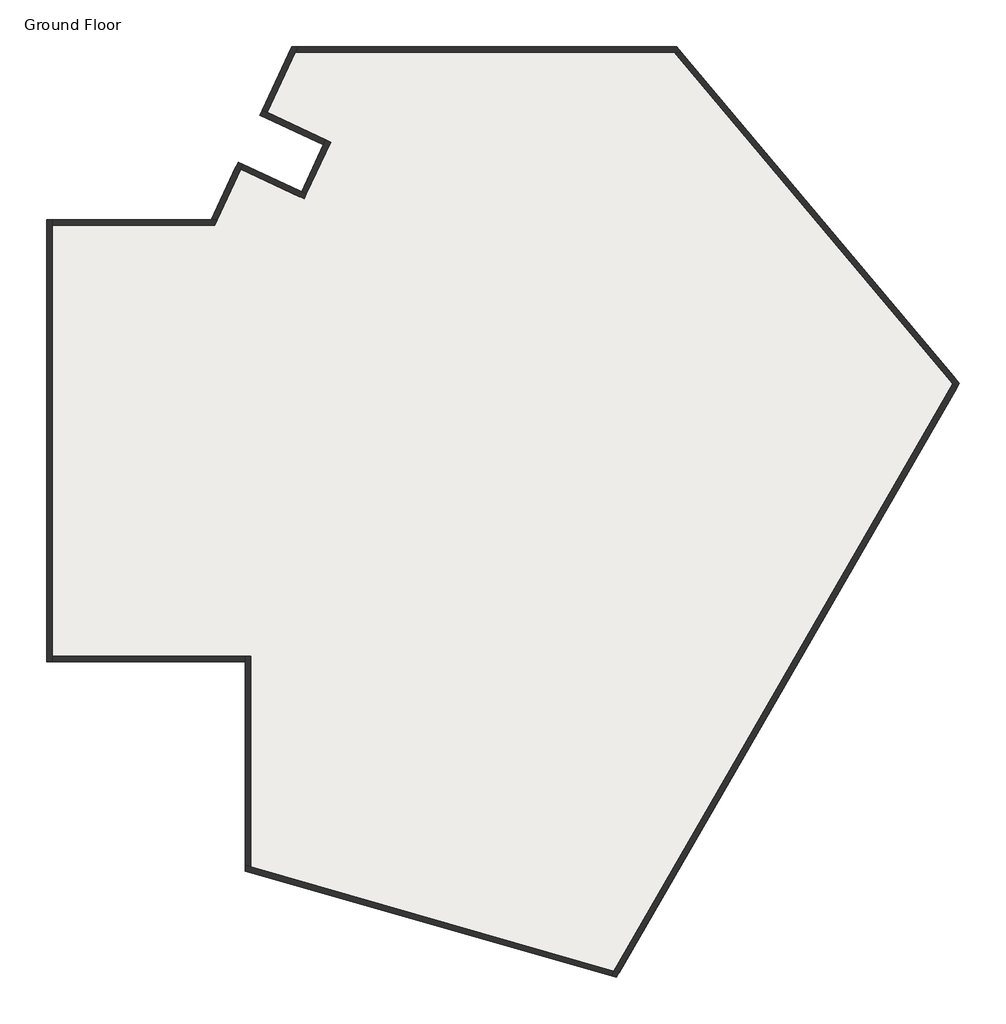
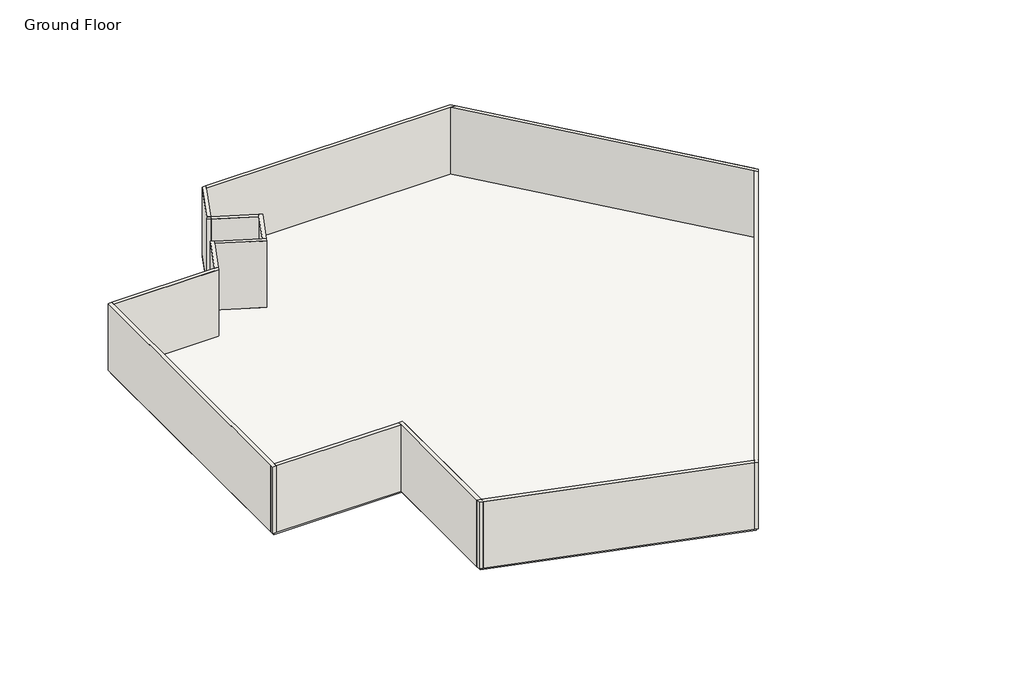
# One storey: 26 walls, 2 slabs.
"""IFC4 building model written with IfcOpenShell, lengths in millimetres."""

from ifc_helpers import new_model, si_unit, frame, origin, origin_with_axes, place, context, project, spatial, polyline, outline, extrude, faceted_brep, element, save

model = new_model("IFC4")

# Units and contexts
model_context = context("Model", 3, world=origin())
ifc_project = project(units=[si_unit("LENGTHUNIT", "METRE", prefix="MILLI")], contexts=[model_context])

# Site, building, storey
site = spatial("IfcSite", under=ifc_project)
building = spatial("IfcBuilding", under=site)
storey = spatial("IfcBuildingStorey", under=building, Name="Ground Floor", Elevation=0.0)

# Slabs
placement = place(None, origin())
element("IfcSlab", 1, ObjectType="Generic 150mm", at=placement, inside=storey, context=model_context, shape_type="SweptSolid", body=[
    extrude(outline(polyline([(-16614.6161583, 7322.1830783), (-10614.6161583, 7322.1830783), (-9645.9163017, 9399.5666246), (-7318.5272527, 8314.2872875), (-6431.028903, 10217.5336403), (-8758.4179521, 11302.8129774), (-7656.2883261, 13666.3375876), (6343.7116739, 13666.3375876), (16628.3134289, 1409.6264977), (4128.3134289, -20241.008597), (-9329.3503142, -16382.0856155), (-9329.3503142, -8677.8169217), (-16614.6161583, -8677.8169217), (-16614.6161583, 7322.1830783)])), frame((0.0, 0.0, -150.0), z_axis=(0.0, 0.0, 1.0), x_axis=(1.0, 0.0, 0.0)), (0.0, 0.0, 1.0), 150.0),
])
element("IfcSlab", 2, ObjectType="Generic 150mm", at=placement, inside=storey, context=model_context, shape_type="SweptSolid", body=[
    extrude(outline(polyline([(-16614.6161583, 7322.1830783), (-10614.6161583, 7322.1830783), (-9645.9163017, 9399.5666246), (-7318.5272527, 8314.2872875), (-6431.028903, 10217.5336403), (-8758.4179521, 11302.8129774), (-7656.2883261, 13666.3375876), (6343.7116739, 13666.3375876), (16628.3134289, 1409.6264977), (4128.3134289, -20241.008597), (-9329.3503142, -16382.0856155), (-9329.3503142, -8677.8169217), (-16614.6161583, -8677.8169217), (-16614.6161583, 7322.1830783)])), frame((0.0, 0.0, -150.0), z_axis=(0.0, 0.0, 1.0), x_axis=(1.0, 0.0, 0.0)), (0.0, 0.0, 1.0), 150.0),
])

# Walls
element("IfcWall", 3, ObjectType="Generic 200mm Wall", at=placement, inside=storey, context=model_context, shape_type="Brep", body=[
    faceted_brep([(-16514.6161583, -8777.8169217, 0.0), (-16514.6161583, -8577.8169217, 0.0), (-16514.6161583, 7222.1830783, 0.0), (-16514.6161583, 7422.1830783, 0.0), (-16514.6161583, 7422.1830783, 4000.0), (-16514.6161583, 7222.1830783, 4000.0), (-16514.6161583, -8577.8169217, 4000.0), (-16514.6161583, -8777.8169217, 4000.0), (-16714.6161583, -8777.8169217, 0.0), (-16714.6161583, -8777.8169217, 4000.0), (-16714.6161583, 7422.1830783, 4000.0), (-16714.6161583, 7422.1830783, 0.0)], [[[0, 1, 2, 3, 4, 5, 6, 7]], [[8, 9, 10, 11]], [[3, 2, 1, 0, 8, 11]], [[7, 6, 5, 4, 10, 9]], [[4, 3, 11, 10]], [[0, 7, 9, 8]]]),
])
element("IfcWall", 4, ObjectType="Generic 200mm Wall", at=placement, inside=storey, context=model_context, shape_type="Brep", body=[
    faceted_brep([(-16514.6161583, 7222.1830783, 0.0), (-10550.9091322, 7222.1830783, 0.0), (-10550.9091322, 7222.1830783, 4000.0), (-16514.6161583, 7222.1830783, 4000.0), (-16514.6161583, 7422.1830783, 0.0), (-16514.6161583, 7422.1830783, 4000.0), (-10678.3231844, 7422.1830783, 4000.0), (-10457.6476006, 7422.1830783, 4000.0), (-10457.6476006, 7422.1830783, 0.0), (-10678.3231844, 7422.1830783, 0.0)], [[[0, 1, 2, 3]], [[4, 5, 6, 7, 8, 9]], [[1, 0, 4, 9, 8]], [[3, 2, 7, 6, 5]], [[2, 1, 8, 7]], [[0, 3, 5, 4]]]),
])
element("IfcWall", 5, ObjectType="Generic 200mm Wall", at=placement, inside=storey, context=model_context, shape_type="Brep", body=[
    faceted_brep([(-10457.6476006, 7422.1830783, 0.0), (-9597.5473492, 9266.6740197, 0.0), (-9513.0236968, 9447.9355771, 0.0), (-9513.0236968, 9447.9355771, 4000.0), (-9597.5473492, 9266.6740197, 4000.0), (-10457.6476006, 7422.1830783, 4000.0), (-10678.3231844, 7422.1830783, 0.0), (-10678.3231844, 7422.1830783, 4000.0), (-9694.2852542, 9532.4592295, 4000.0), (-9694.2852542, 9532.4592295, 0.0)], [[[0, 1, 2, 3, 4, 5]], [[6, 7, 8, 9]], [[2, 1, 0, 6, 9]], [[5, 4, 3, 8, 7]], [[3, 2, 9, 8]], [[0, 5, 7, 6]]]),
])
element("IfcWall", 6, ObjectType="Generic 200mm Wall", at=placement, inside=storey, context=model_context, shape_type="Brep", body=[
    faceted_brep([(-9597.5473492, 9266.6740197, 0.0), (-7270.1583001, 8181.3946827, 0.0), (-7270.1583001, 8181.3946827, 4000.0), (-9597.5473492, 9266.6740197, 4000.0), (-9513.0236968, 9447.9355771, 0.0), (-9513.0236968, 9447.9355771, 4000.0), (-7366.8962052, 8447.1798924, 4000.0), (-7185.6346478, 8362.6562401, 4000.0), (-7185.6346478, 8362.6562401, 0.0), (-7366.8962052, 8447.1798924, 0.0)], [[[0, 1, 2, 3]], [[4, 5, 6, 7, 8, 9]], [[1, 0, 4, 9, 8]], [[3, 2, 7, 6, 5]], [[2, 1, 8, 7]], [[0, 3, 5, 4]]]),
])
element("IfcWall", 7, ObjectType="Generic 200mm Wall", at=placement, inside=storey, context=model_context, shape_type="Brep", body=[
    faceted_brep([(-7185.6346478, 8362.6562401, 0.0), (-6298.1362981, 10265.9025928, 0.0), (-6298.1362981, 10265.9025928, 4000.0), (-7185.6346478, 8362.6562401, 4000.0), (-7366.8962052, 8447.1798924, 0.0), (-7366.8962052, 8447.1798924, 4000.0), (-6563.9215079, 10169.1646878, 4000.0), (-6479.3978555, 10350.4262452, 4000.0), (-6479.3978555, 10350.4262452, 0.0), (-6563.9215079, 10169.1646878, 0.0)], [[[0, 1, 2, 3]], [[4, 5, 6, 7, 8, 9]], [[1, 0, 4, 9, 8]], [[3, 2, 7, 6, 5]], [[2, 1, 8, 7]], [[0, 3, 5, 4]]]),
])
element("IfcWall", 8, ObjectType="Generic 200mm Wall", at=placement, inside=storey, context=model_context, shape_type="Brep", body=[
    faceted_brep([(-6479.3978555, 10350.4262452, 0.0), (-8625.5253472, 11351.1819299, 0.0), (-8806.7869046, 11435.7055823, 0.0), (-8806.7869046, 11435.7055823, 4000.0), (-8625.5253472, 11351.1819299, 4000.0), (-6479.3978555, 10350.4262452, 4000.0), (-6563.9215079, 10169.1646878, 0.0), (-6563.9215079, 10169.1646878, 4000.0), (-8891.3105569, 11254.4440249, 4000.0), (-8891.3105569, 11254.4440249, 0.0)], [[[0, 1, 2, 3, 4, 5]], [[6, 7, 8, 9]], [[2, 1, 0, 6, 9]], [[5, 4, 3, 8, 7]], [[3, 2, 9, 8]], [[0, 5, 7, 6]]]),
])
element("IfcWall", 9, ObjectType="Generic 200mm Wall", at=placement, inside=storey, context=model_context, shape_type="Brep", body=[
    faceted_brep([(-8625.5253472, 11351.1819299, 0.0), (-7592.5813, 13566.3375876, 0.0), (-7499.3197684, 13766.3375876, 0.0), (-7499.3197684, 13766.3375876, 4000.0), (-7592.5813, 13566.3375876, 4000.0), (-8625.5253472, 11351.1819299, 4000.0), (-8806.7869046, 11435.7055823, 0.0), (-8806.7869046, 11435.7055823, 4000.0), (-7719.9953522, 13766.3375876, 4000.0), (-7719.9953522, 13766.3375876, 0.0)], [[[0, 1, 2, 3, 4, 5]], [[6, 7, 8, 9]], [[2, 1, 0, 6, 9]], [[5, 4, 3, 8, 7]], [[3, 2, 9, 8]], [[0, 5, 7, 6]]]),
])
element("IfcWall", 10, ObjectType="Generic 200mm Wall", at=placement, inside=storey, context=model_context, shape_type="Brep", body=[
    faceted_brep([(-7592.5813, 13566.3375876, 0.0), (6297.0809081, 13566.3375876, 0.0), (6558.162366, 13566.3375876, 0.0), (6558.162366, 13566.3375876, 4000.0), (6297.0809081, 13566.3375876, 4000.0), (-7592.5813, 13566.3375876, 4000.0), (-7499.3197684, 13766.3375876, 0.0), (-7499.3197684, 13766.3375876, 4000.0), (6390.3424397, 13766.3375876, 4000.0), (6390.3424397, 13766.3375876, 0.0)], [[[0, 1, 2, 3, 4, 5]], [[6, 7, 8, 9]], [[2, 1, 0, 6, 9]], [[5, 4, 3, 8, 7]], [[3, 2, 9, 8]], [[0, 5, 7, 6]]]),
])
element("IfcWall", 11, ObjectType="Generic 200mm Wall", at=placement, inside=storey, context=model_context, shape_type="Brep", body=[
    faceted_brep([(6297.0809081, 13566.3375876, 0.0), (16506.7005116, 1398.9867461, 0.0), (16643.5085689, 1235.9452522, 0.0), (16643.5085689, 1235.9452522, 4000.0), (16506.7005116, 1398.9867461, 4000.0), (6297.0809081, 13566.3375876, 4000.0), (6558.162366, 13566.3375876, 0.0), (6558.162366, 13566.3375876, 4000.0), (16749.9263462, 1420.2662493, 4000.0), (16749.9263462, 1420.2662493, 0.0)], [[[0, 1, 2, 3, 4, 5]], [[6, 7, 8, 9]], [[2, 1, 0, 6, 9]], [[5, 4, 3, 8, 7]], [[3, 2, 9, 8]], [[0, 5, 7, 6]]]),
])
element("IfcWall", 12, ObjectType="Generic 200mm Wall", at=placement, inside=storey, context=model_context, shape_type="Brep", body=[
    faceted_brep([(16506.7005116, 1398.9867461, 0.0), (4080.7751698, -20123.3472769, 0.0), (3977.7138069, -20301.8547938, 0.0), (3977.7138069, -20301.8547938, 4000.0), (4080.7751698, -20123.3472769, 4000.0), (16506.7005116, 1398.9867461, 4000.0), (16643.5085689, 1235.9452522, 0.0), (16643.5085689, 1235.9452522, 4000.0), (4175.8516879, -20358.669917, 4000.0), (4175.8516879, -20358.669917, 0.0)], [[[0, 1, 2, 3, 4, 5]], [[6, 7, 8, 9]], [[2, 1, 0, 6, 9]], [[5, 4, 3, 8, 7]], [[3, 2, 9, 8]], [[0, 5, 7, 6]]]),
])
element("IfcWall", 13, ObjectType="Generic 200mm Wall", at=placement, inside=storey, context=model_context, shape_type="Brep", body=[
    faceted_brep([(4080.7751698, -20123.3472769, 0.0), (-9229.3503142, -16306.7302105, 0.0), (-9429.3503142, -16249.3811334, 0.0), (-9429.3503142, -16249.3811334, 4000.0), (-9229.3503142, -16306.7302105, 4000.0), (4080.7751698, -20123.3472769, 4000.0), (3977.7138069, -20301.8547938, 0.0), (3977.7138069, -20301.8547938, 4000.0), (-9429.3503142, -16457.4410205, 4000.0), (-9429.3503142, -16457.4410205, 0.0)], [[[0, 1, 2, 3, 4, 5]], [[6, 7, 8, 9]], [[2, 1, 0, 6, 9]], [[5, 4, 3, 8, 7]], [[3, 2, 9, 8]], [[0, 5, 7, 6]]]),
])
element("IfcWall", 14, ObjectType="Generic 200mm Wall", at=placement, inside=storey, context=model_context, shape_type="Brep", body=[
    faceted_brep([(-9229.3503142, -16306.7302105, 0.0), (-9229.3503142, -8577.8169217, 0.0), (-9229.3503142, -8577.8169217, 4000.0), (-9229.3503142, -16306.7302105, 4000.0), (-9429.3503142, -16249.3811334, 0.0), (-9429.3503142, -16249.3811334, 4000.0), (-9429.3503142, -8777.8169217, 4000.0), (-9429.3503142, -8577.8169217, 4000.0), (-9429.3503142, -8577.8169217, 0.0), (-9429.3503142, -8777.8169217, 0.0)], [[[0, 1, 2, 3]], [[4, 5, 6, 7, 8, 9]], [[1, 0, 4, 9, 8]], [[3, 2, 7, 6, 5]], [[2, 1, 8, 7]], [[0, 3, 5, 4]]]),
])
element("IfcWall", 15, ObjectType="Generic 200mm Wall", at=placement, inside=storey, context=model_context, shape_type="SweptSolid", body=[
    extrude(outline(polyline([(-16514.6161583, -8577.8169217), (-9429.3503142, -8577.8169217), (-9429.3503142, -8777.8169217), (-16514.6161583, -8777.8169217), (-16514.6161583, -8577.8169217)])), origin_with_axes(), (0.0, 0.0, 1.0), 4000.0),
])
element("IfcWall", 16, ObjectType="Generic 200mm Wall", at=placement, inside=storey, context=model_context, shape_type="SweptSolid", body=[
    extrude(outline(polyline([(-16514.6161583, 7222.1830783), (-16514.6161583, -8577.8169217), (-16714.6161583, -8577.8169217), (-16714.6161583, 7222.1830783), (-16514.6161583, 7222.1830783)])), origin_with_axes(), (0.0, 0.0, 1.0), 4000.0),
])
element("IfcWall", 17, ObjectType="Generic 200mm Wall", at=placement, inside=storey, context=model_context, shape_type="SweptSolid", body=[
    extrude(outline(polyline([(-10771.584716, 7222.1830783), (-16514.6161583, 7222.1830783), (-16514.6161583, 7422.1830783), (-10678.3231844, 7422.1830783), (-10771.584716, 7222.1830783)])), origin_with_axes(), (0.0, 0.0, 1.0), 4000.0),
])
element("IfcWall", 18, ObjectType="Generic 200mm Wall", at=placement, inside=storey, context=model_context, shape_type="SweptSolid", body=[
    extrude(outline(polyline([(-9597.5473492, 9266.6740197), (-10457.6476006, 7422.1830783), (-10678.3231844, 7422.1830783), (-9778.8089066, 9351.1976721), (-9597.5473492, 9266.6740197)])), origin_with_axes(), (0.0, 0.0, 1.0), 4000.0),
])
element("IfcWall", 19, ObjectType="Generic 200mm Wall", at=placement, inside=storey, context=model_context, shape_type="SweptSolid", body=[
    extrude(outline(polyline([(-7451.4198575, 8265.918335), (-9597.5473492, 9266.6740197), (-9513.0236968, 9447.9355771), (-7366.8962052, 8447.1798924), (-7451.4198575, 8265.918335)])), origin_with_axes(), (0.0, 0.0, 1.0), 4000.0),
])
element("IfcWall", 20, ObjectType="Generic 200mm Wall", at=placement, inside=storey, context=model_context, shape_type="SweptSolid", body=[
    extrude(outline(polyline([(-6382.6599505, 10084.6410354), (-7185.6346478, 8362.6562401), (-7366.8962052, 8447.1798924), (-6563.9215079, 10169.1646878), (-6382.6599505, 10084.6410354)])), origin_with_axes(), (0.0, 0.0, 1.0), 4000.0),
])
element("IfcWall", 21, ObjectType="Generic 200mm Wall", at=placement, inside=storey, context=model_context, shape_type="SweptSolid", body=[
    extrude(outline(polyline([(-8625.5253472, 11351.1819299), (-6479.3978555, 10350.4262452), (-6563.9215079, 10169.1646878), (-8710.0489995, 11169.9203725), (-8625.5253472, 11351.1819299)])), origin_with_axes(), (0.0, 0.0, 1.0), 4000.0),
])
element("IfcWall", 22, ObjectType="Generic 200mm Wall", at=placement, inside=storey, context=model_context, shape_type="SweptSolid", body=[
    extrude(outline(polyline([(-7592.5813, 13566.3375876), (-8625.5253472, 11351.1819299), (-8806.7869046, 11435.7055823), (-7813.2568838, 13566.3375876), (-7592.5813, 13566.3375876)])), origin_with_axes(), (0.0, 0.0, 1.0), 4000.0),
])
element("IfcWall", 23, ObjectType="Generic 200mm Wall", at=placement, inside=storey, context=model_context, shape_type="SweptSolid", body=[
    extrude(outline(polyline([(6297.0809081, 13566.3375876), (-7592.5813, 13566.3375876), (-7499.3197684, 13766.3375876), (6129.2609819, 13766.3375876), (6297.0809081, 13566.3375876)])), origin_with_axes(), (0.0, 0.0, 1.0), 4000.0),
])
element("IfcWall", 24, ObjectType="Generic 200mm Wall", at=placement, inside=storey, context=model_context, shape_type="SweptSolid", body=[
    extrude(outline(polyline([(16506.7005116, 1398.9867461), (6297.0809081, 13566.3375876), (6558.162366, 13566.3375876), (16613.1182889, 1583.3077431), (16506.7005116, 1398.9867461)])), origin_with_axes(), (0.0, 0.0, 1.0), 4000.0),
])
element("IfcWall", 25, ObjectType="Generic 200mm Wall", at=placement, inside=storey, context=model_context, shape_type="SweptSolid", body=[
    extrude(outline(polyline([(4080.7751698, -20123.3472769), (16506.7005116, 1398.9867461), (16643.5085689, 1235.9452522), (4278.9130509, -20180.1624001), (4080.7751698, -20123.3472769)])), origin_with_axes(), (0.0, 0.0, 1.0), 4000.0),
])
element("IfcWall", 26, ObjectType="Generic 200mm Wall", at=placement, inside=storey, context=model_context, shape_type="SweptSolid", body=[
    extrude(outline(polyline([(-9229.3503142, -16306.7302105), (4080.7751698, -20123.3472769), (3977.7138069, -20301.8547938), (-9229.3503142, -16514.7900977), (-9229.3503142, -16306.7302105)])), origin_with_axes(), (0.0, 0.0, 1.0), 4000.0),
])
element("IfcWall", 27, ObjectType="Generic 200mm Wall", at=placement, inside=storey, context=model_context, shape_type="SweptSolid", body=[
    extrude(outline(polyline([(-9229.3503142, -8777.8169217), (-9229.3503142, -16306.7302105), (-9429.3503142, -16249.3811334), (-9429.3503142, -8777.8169217), (-9229.3503142, -8777.8169217)])), origin_with_axes(), (0.0, 0.0, 1.0), 4000.0),
])
element("IfcWall", 28, ObjectType="Generic 200mm Wall", at=placement, inside=storey, context=model_context, shape_type="SweptSolid", body=[
    extrude(outline(polyline([(-16514.6161583, -8577.8169217), (-9429.3503142, -8577.8169217), (-9429.3503142, -8777.8169217), (-16514.6161583, -8777.8169217), (-16514.6161583, -8577.8169217)])), origin_with_axes(), (0.0, 0.0, 1.0), 4000.0),
])

save(model, "model.ifc")
